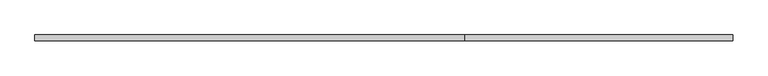
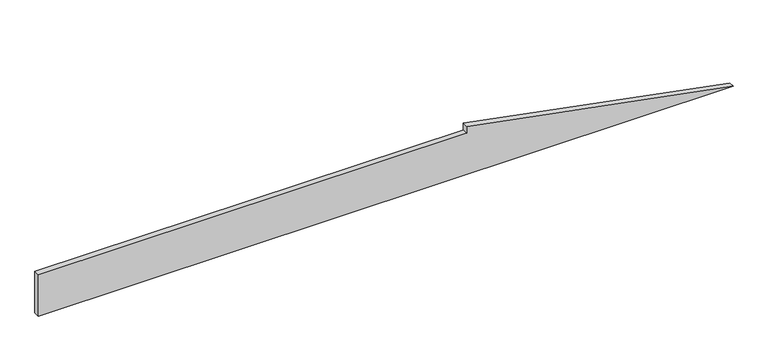
"""IFC4 building model written with IfcOpenShell, lengths in millimetres: plate geometry."""

import ifcopenshell
import ifcopenshell.guid

model = None  # the IFC model being written
_history = None  # IfcOwnerHistory: only IFC2X3 demands one
_inside = {}  # id of a spatial element -> (the spatial element, [elements in it])
_under = {}  # id of a project, library or spatial element -> (it, [spatial elements below it])
_declared = {}  # id of a project -> (the project, [libraries it declares])
_typed = {}  # id of a type object -> (the type object, [elements of that type])
_made_of = {}  # id of a material, layer set ... -> (it, [elements and type objects made of it])


def new_model(schema):
    """Start an empty IFC model of exactly this schema.

    Asked for "IFC4X3", IfcOpenShell would pick the latest addendum, in which some entities
    have other attributes; the version numbers below select the first issue.
    IFC2X3 requires an IfcOwnerHistory on every rooted entity: one is made here for all.
    """
    global model, _history
    if schema == "IFC4X3":
        model = ifcopenshell.file(schema_version=(4, 3, 0, 0))
    else:
        model = ifcopenshell.file(schema=schema)
    _inside.clear()
    _under.clear()
    _declared.clear()
    _typed.clear()
    _made_of.clear()
    _history = None
    if model.schema == "IFC2X3":
        org = make("IfcOrganization", Name="unknown")
        user = make(
            "IfcPersonAndOrganization",
            ThePerson=make("IfcPerson", FamilyName="unknown"),
            TheOrganization=org,
        )
        app = make(
            "IfcApplication",
            ApplicationDeveloper=org,
            Version="unknown",
            ApplicationFullName="unknown",
            ApplicationIdentifier="unknown",
        )
        _history = make(
            "IfcOwnerHistory",
            OwningUser=user,
            OwningApplication=app,
            ChangeAction="ADDED",
            CreationDate=0,
        )
    return model


def make(cls, **values):
    """One entity of the class cls with the attributes given. An attribute that is None is left unset."""
    return model.create_entity(
        cls, **{name: value for name, value in values.items() if value is not None}
    )


def rooted(cls, **values):
    """An entity with a GlobalId (a new one), such as an element, a storey or a relation."""
    return make(cls, GlobalId=ifcopenshell.guid.new(), OwnerHistory=_history, **values)


def si_unit(unit_type, name, prefix=None):
    """IfcSIUnit, for example si_unit("LENGTHUNIT", "METRE", prefix="MILLI")."""
    return make("IfcSIUnit", UnitType=unit_type, Prefix=prefix, Name=name)


def assignment(units):
    """IfcUnitAssignment: the units of a project."""
    return None if units is None else make("IfcUnitAssignment", Units=units)


def point(xyz):
    """IfcCartesianPoint."""
    return None if xyz is None else make("IfcCartesianPoint", Coordinates=xyz)


def direction(xyz):
    """IfcDirection."""
    return None if xyz is None else make("IfcDirection", DirectionRatios=xyz)


def frame(location, z_axis=None, x_axis=None):
    """IfcAxis2Placement3D, a coordinate frame: its origin and axes. An axis left out is left unset."""
    return make(
        "IfcAxis2Placement3D",
        Location=point(location),
        Axis=direction(z_axis),
        RefDirection=direction(x_axis),
    )


def origin():
    """The frame at (0, 0, 0) with its axes left unset."""
    return frame((0.0, 0.0, 0.0))


def place(relative_to, where):
    """IfcLocalPlacement: puts the frame where relative to a parent placement (None: the world)."""
    return make(
        "IfcLocalPlacement", PlacementRelTo=relative_to, RelativePlacement=where
    )


def context(
    kind, dimensions, precision=None, world=None, true_north=None, identifier=None
):
    """IfcGeometricRepresentationContext, for example the 3D "Model" context."""
    return make(
        "IfcGeometricRepresentationContext",
        ContextIdentifier=identifier,
        ContextType=kind,
        CoordinateSpaceDimension=dimensions,
        Precision=precision,
        WorldCoordinateSystem=world,
        TrueNorth=true_north,
    )


def project(units=None, contexts=None):
    """IfcProject with its units and contexts."""
    return rooted(
        "IfcProject",
        Name="project",
        RepresentationContexts=contexts,
        UnitsInContext=assignment(units),
    )


def spatial(cls, under=None, at=None, **own):
    """A site, building, storey or space (cls), placed at a placement, below another one or the project."""
    s = rooted(cls, ObjectPlacement=at, **own)
    if under is not None:
        _under.setdefault(under.id(), (under, []))[1].append(s)
    return s


def polyline(points):
    """IfcPolyline through the points."""
    return make("IfcPolyline", Points=[point(p) for p in points])


def outline(outer, holes=None, kind="AREA"):
    """IfcArbitraryClosedProfileDef: a profile drawn as a closed curve; with holes, ...WithVoids."""
    if holes is None:
        return make("IfcArbitraryClosedProfileDef", ProfileType=kind, OuterCurve=outer)
    return make(
        "IfcArbitraryProfileDefWithVoids",
        ProfileType=kind,
        OuterCurve=outer,
        InnerCurves=holes,
    )


def extrude(swept, where, along, depth):
    """IfcExtrudedAreaSolid: the profile swept, set in the frame where, extruded along a direction by depth."""
    return make(
        "IfcExtrudedAreaSolid",
        SweptArea=swept,
        Position=where,
        ExtrudedDirection=direction(along),
        Depth=depth,
    )


def shape(context_of_items, identifier, shape_type, items):
    """IfcShapeRepresentation: the items that make up one representation, for example the "Body"."""
    return make(
        "IfcShapeRepresentation",
        ContextOfItems=context_of_items,
        RepresentationIdentifier=identifier,
        RepresentationType=shape_type,
        Items=items,
    )


def source(mapping_origin, context_of_items, identifier, shape_type, items):
    """IfcRepresentationMap: a shape defined once, which mapped items show again and again."""
    return make(
        "IfcRepresentationMap",
        MappingOrigin=mapping_origin,
        MappedRepresentation=shape(context_of_items, identifier, shape_type, items),
    )


def transform(
    local_origin,
    x_axis=None,
    y_axis=None,
    z_axis=None,
    scale=None,
    scale2=None,
    scale3=None,
    uniform=True,
):
    """IfcCartesianTransformationOperator3D, or its non-uniform kind. x_axis, y_axis, z_axis: its Axis1, 2, 3."""
    if uniform:
        return make(
            "IfcCartesianTransformationOperator3D",
            Axis1=direction(x_axis),
            Axis2=direction(y_axis),
            LocalOrigin=point(local_origin),
            Scale=scale,
            Axis3=direction(z_axis),
        )
    return make(
        "IfcCartesianTransformationOperator3DnonUniform",
        Axis1=direction(x_axis),
        Axis2=direction(y_axis),
        LocalOrigin=point(local_origin),
        Scale=scale,
        Axis3=direction(z_axis),
        Scale2=scale2,
        Scale3=scale3,
    )


def mapped(mapping_source, mapping_target):
    """IfcMappedItem: shows the shape of a source again, moved by a transform."""
    return make(
        "IfcMappedItem", MappingSource=mapping_source, MappingTarget=mapping_target
    )


def made_of(thing, what):
    """Note that an element or type object is made of a material, layer set ...; save() writes the relation."""
    if what is not None:
        _made_of.setdefault(what.id(), (what, []))[1].append(thing)
    return thing


def element(
    cls,
    number,
    at=None,
    inside=None,
    cuts=None,
    type_object=None,
    material=None,
    context=None,
    identifier="Body",
    shape_type=None,
    held_by="IfcProductDefinitionShape",
    body=None,
    shapes=None,
    **own,
):
    """One element of the class cls, such as IfcWall. Its Tag is "e" and its number.

    at: its placement. inside: the storey or other place that contains it. cuts: it is an
    opening in that element (IfcRelVoidsElement). A single representation is given by context,
    identifier, shape_type and body (its items); several are given by shapes. held_by: the class
    of the entity that holds the representations. save() writes the other relations.
    """
    e = rooted(cls, Tag="e%d" % number, ObjectPlacement=at, **own)
    if body is not None:
        shapes = [shape(context, identifier, shape_type, body)]
    if shapes is not None:
        e.Representation = make(held_by, Representations=shapes)
    if inside is not None:
        _inside.setdefault(inside.id(), (inside, []))[1].append(e)
    if cuts is not None:
        rooted(
            "IfcRelVoidsElement", RelatingBuildingElement=cuts, RelatedOpeningElement=e
        )
    if type_object is not None:
        _typed.setdefault(type_object.id(), (type_object, []))[1].append(e)
    return made_of(e, material)


def aggregate(whole, parts):
    """IfcRelAggregates: a whole, such as a stair, and the parts it consists of."""
    return rooted("IfcRelAggregates", RelatingObject=whole, RelatedObjects=parts)


def save(model, path):
    """Write the relations noted so far, then the file.

    IfcRelAggregates (storeys below a building ...), IfcRelContainedInSpatialStructure (elements
    in a storey), IfcRelDefinesByType, IfcRelAssociatesMaterial and IfcRelDeclares: one each for
    every whole, place, type object, material and project.
    """
    for whole, parts in _under.values():
        aggregate(whole, parts)
    for where, things in _inside.values():
        rooted(
            "IfcRelContainedInSpatialStructure",
            RelatedElements=things,
            RelatingStructure=where,
        )
    for kind, things in _typed.values():
        rooted("IfcRelDefinesByType", RelatedObjects=things, RelatingType=kind)
    for what, things in _made_of.values():
        rooted("IfcRelAssociatesMaterial", RelatedObjects=things, RelatingMaterial=what)
    for by, libraries in _declared.values():
        rooted("IfcRelDeclares", RelatingContext=by, RelatedDefinitions=libraries)
    model.write(path)


def plate_766172c7(model_context):
    return source(origin(), model_context, "Body", "SweptSolid", [
        extrude(outline(polyline([(0.0, -1192.4360038), (0.0, 1192.4360038), (175.0, 277.6632765), (150.0, 277.6632765), (150.0, -1192.4360038), (0.0, -1192.4360038)])), frame((0.0, 20.0, 0.0), z_axis=(0.0, 1.0, 0.0), x_axis=(0.0, 0.0, 1.0)), (0.0, 0.0, 1.0), 20.0),
    ])


if __name__ == "__main__":
    model = new_model("IFC4")
    model_context = context("Model", 3, world=origin())
    ifc_project = project(units=[si_unit("LENGTHUNIT", "METRE", prefix="MILLI")], contexts=[model_context])
    site = spatial("IfcSite", under=ifc_project)
    building = spatial("IfcBuilding", under=site)
    placement = place(None, origin())
    plate_shape = plate_766172c7(model_context)
    element("IfcPlate", 1, at=placement, inside=building, context=model_context, shape_type="MappedRepresentation", body=[
        mapped(plate_shape, transform((0.0, 0.0, 0.0), x_axis=(1.0, 0.0, 0.0), y_axis=(0.0, 1.0, 0.0), z_axis=(0.0, 0.0, 1.0))),
    ])
    save(model, "model.ifc")
